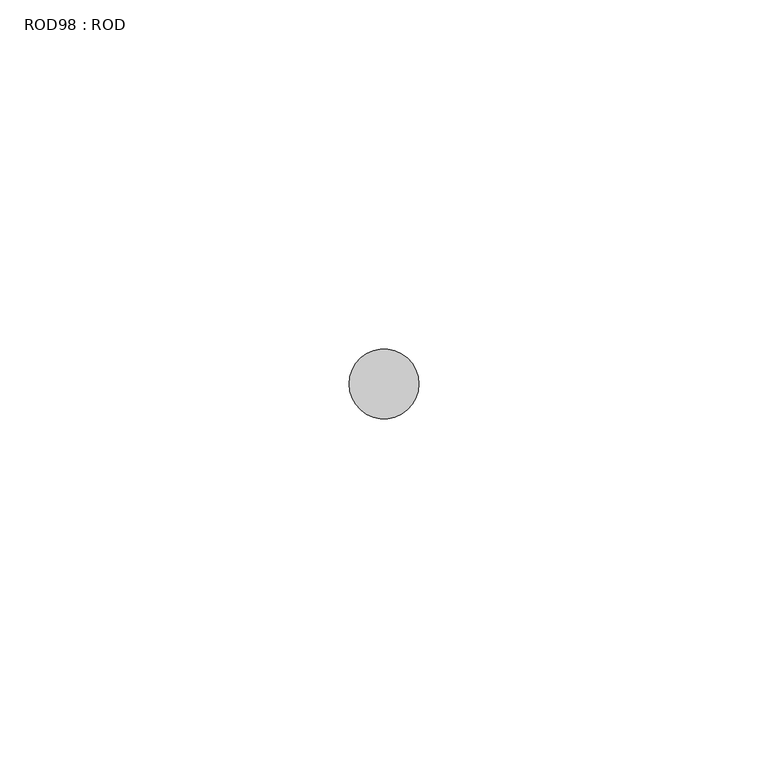
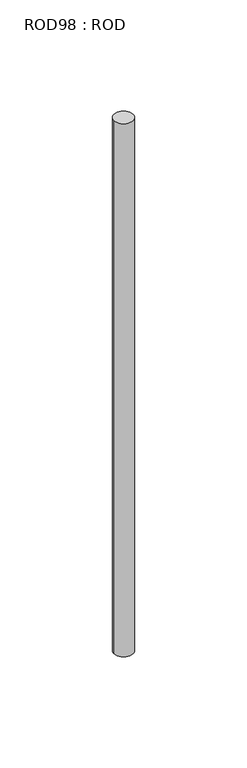
"""IFC4 building model written with IfcOpenShell, lengths in millimetres: proxy geometry, ROD98 : ROD."""

from ifc_helpers import new_model, si_unit, point, frame, frame_2d, origin, place, context, project, spatial, circle_curve, trimmed, segment, composite_curve, outline, extrude, source, transform, mapped, element, save


def rod98_rod_65502ef2(model_context):
    return source(origin(), model_context, "Body", "SweptSolid", [
        extrude(outline(composite_curve([segment(trimmed(circle_curve(frame_2d((-2347.2215616, -12414.6300853)), 5.0), [point((-2352.2215616, -12414.6300853))], [point((-2342.2215616, -12414.6300853))], False, "CARTESIAN"), True, "CONTINUOUS"), segment(trimmed(circle_curve(frame_2d((-2347.2215616, -12414.6300853)), 5.0), [point((-2342.2215616, -12414.6300853))], [point((-2352.2215616, -12414.6300853))], False, "CARTESIAN"), True, "CONTINUOUS")], self_intersect=False)), frame((0.0, 0.0, -208.6608845), z_axis=(0.0, 0.0, 1.0), x_axis=(1.0, 0.0, 0.0)), (0.0, 0.0, 1.0), 298.9028972),
    ])


if __name__ == "__main__":
    model = new_model("IFC4")
    model_context = context("Model", 3, world=origin())
    ifc_project = project(units=[si_unit("LENGTHUNIT", "METRE", prefix="MILLI")], contexts=[model_context])
    site = spatial("IfcSite", under=ifc_project)
    building = spatial("IfcBuilding", under=site)
    placement = place(None, origin())
    rod98_rod_shape = rod98_rod_65502ef2(model_context)
    element("IfcBuildingElementProxy", 1, Name="ROD98 : ROD", ObjectType="ROD98 : ROD", at=placement, inside=building, context=model_context, shape_type="MappedRepresentation", body=[
        mapped(rod98_rod_shape, transform((0.0, 0.0, 0.0), x_axis=(1.0, 0.0, 0.0), y_axis=(0.0, 1.0, 0.0), z_axis=(0.0, 0.0, 1.0))),
    ])
    save(model, "model.ifc")
